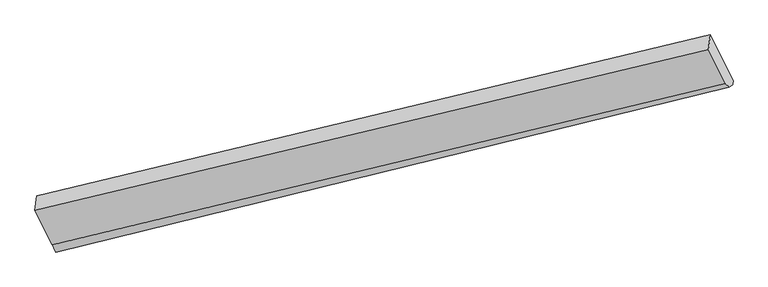
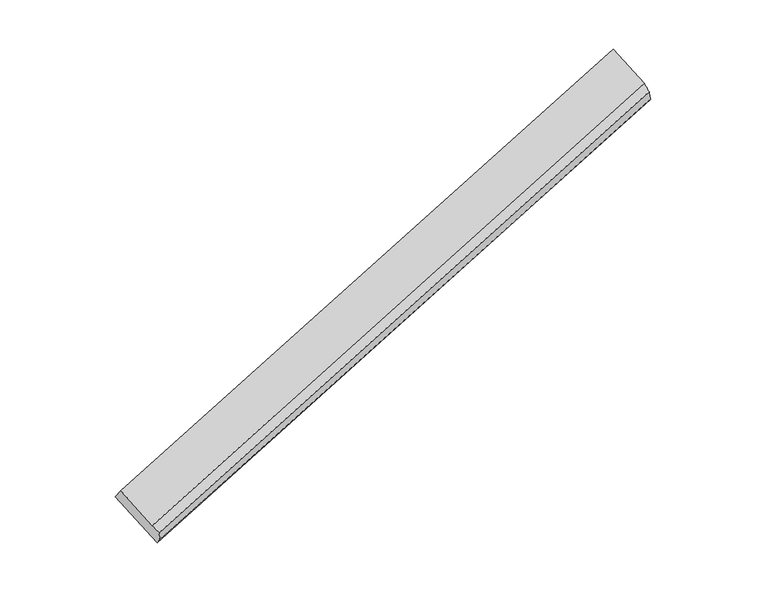
"""IFC4 building model written with IfcOpenShell, lengths in millimetres: proxy geometry."""

from ifc_helpers import new_model, si_unit, frame, origin, place, context, project, spatial, source, transform, mapped, element, save
from ifc_brep_helpers import plane_surface, spline_surface, advanced_brep


def generic_models_bffc1d60(model_context):
    return source(origin(), model_context, "Body", "AdvancedBrep", [
        advanced_brep(
        [(-6039.801431, -2387.1453667, 661.3086334), (-6243.4003151, -1979.791004, 995.3808677), (-249.276319, -544.7113201, 2929.3547023), (-46.1440746, -951.1320445, 2596.048147), (-6259.7170243, -2109.7915034, 1143.9541453), (-266.0048752, -677.9931382, 3081.6780907), (-6106.1133053, -2417.117083, 891.9157424), (-114.9180405, -980.2830133, 2833.7694803), (-6073.9467671, -2481.4748997, 839.1357513), (-79.2812853, -1010.5306384, 2744.5520594), (-6047.9491412, -2452.0608086, 735.4983482), (-50.7726254, -988.0092057, 2638.1938367)],
        [
            (0, 1),
            (1, 2),
            (2, 3),
            (3, 0),
            (1, 4),
            (4, 5),
            (5, 2),
            (4, 6),
            (6, 7),
            (7, 5),
            (6, 8),
            (8, 9),
            (9, 7),
            (8, 10),
            (10, 11),
            (11, 9),
            (10, 0),
            (3, 11),
        ],
        [
            plane_surface(frame((-6141.6008731, -2183.4681854, 828.3447506), z_axis=(0.08452666097262271, 0.6567766352439441, -0.7493328332473245), x_axis=(-0.3604822661899087, 0.7212417909607567, 0.5914920242355833))),
            plane_surface(frame((-6251.5586697, -2044.7912537, 1069.6675065), z_axis=(-0.36309772495662157, 0.7206146524160286, 0.590656046150932), x_axis=(-0.0823694090613902, -0.6562637233970507, 0.750022136875917))),
            plane_surface(frame((-6182.9151648, -2263.4542932, 1017.9349439), z_axis=(-0.08524564021636677, -0.6569468180874816, 0.7491021686184305), x_axis=(0.36048226618990914, -0.721241790960757, -0.5914920242355828))),
            spline_surface(1, 1, [[(-6106.1133053, -2417.117083, 891.9157424), (-114.9180405, -980.2830133, 2833.7694803)], [(-6073.9467671, -2481.4748997, 839.1357513), (-79.2812853, -1010.5306384, 2744.5520594)]], [2, 2], [2, 2], [0.0, 1.0], [0.0, 1.0]),
            spline_surface(1, 1, [[(-6073.9467671, -2481.4748997, 839.1357513), (-79.2812853, -1010.5306384, 2744.5520594)], [(-6047.9491412, -2452.0608086, 735.4983482), (-50.7726254, -988.0092057, 2638.1938367)]], [2, 2], [2, 2], [0.0, 1.0], [0.0, 1.0]),
            plane_surface(frame((-6043.8752861, -2419.6030876, 698.4034908), z_axis=(0.36328370056380765, -0.7205698147665092, -0.5905963892135004), x_axis=(0.08236940906138918, 0.6562637233970454, -0.7500221368759217))),
            plane_surface(frame((-134.3995367, -858.77656, 2803.9327194), z_axis=(0.9291220674451045, 0.22164883109281752, 0.29597969434020766), x_axis=(0.25365313004219303, 0.20038233740897715, -0.946312320787547))),
            plane_surface(frame((-6132.9629358, -2282.0527165, 875.0555492), z_axis=(-0.9291220674451098, -0.22164883109281952, -0.29597969434018906), x_axis=(-0.0823694090614046, -0.6562637233969819, 0.7500221368759755))),
        ],
        [
            (0, [[1, 2, 3, 4]]),
            (1, [[5, 6, 7, -2]]),
            (2, [[8, 9, 10, -6]]),
            (3, [[11, 12, 13, -9]]),
            (4, [[14, 15, 16, -12]]),
            (5, [[17, -4, 18, -15]]),
            (6, [[-16, -18, -3, -7, -10, -13]]),
            (7, [[-17, -14, -11, -8, -5, -1]]),
        ],
    ),
    ])


if __name__ == "__main__":
    model = new_model("IFC4")
    model_context = context("Model", 3, world=origin())
    ifc_project = project(units=[si_unit("LENGTHUNIT", "METRE", prefix="MILLI")], contexts=[model_context])
    site = spatial("IfcSite", under=ifc_project)
    building = spatial("IfcBuilding", under=site)
    placement = place(None, origin())
    generic_models_shape = generic_models_bffc1d60(model_context)
    element("IfcBuildingElementProxy", 1, Name="Generic Models", at=placement, inside=building, context=model_context, shape_type="MappedRepresentation", body=[
        mapped(generic_models_shape, transform((0.0, 0.0, 0.0), x_axis=(1.0, 0.0, 0.0), y_axis=(0.0, 1.0, 0.0), z_axis=(0.0, 0.0, 1.0))),
    ])
    save(model, "model.ifc")
